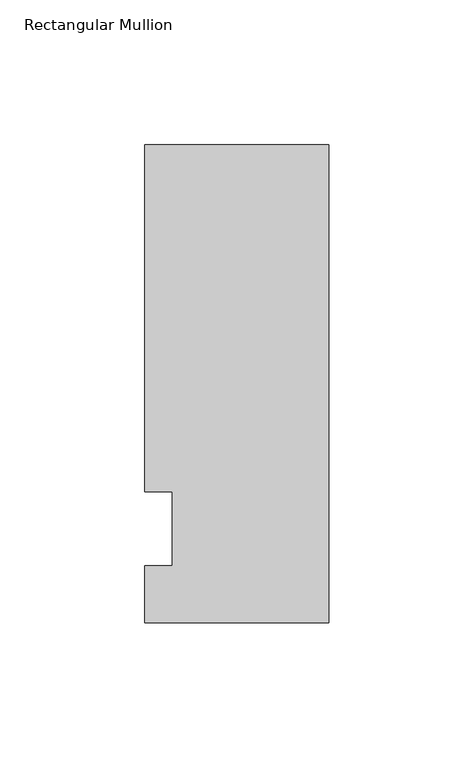
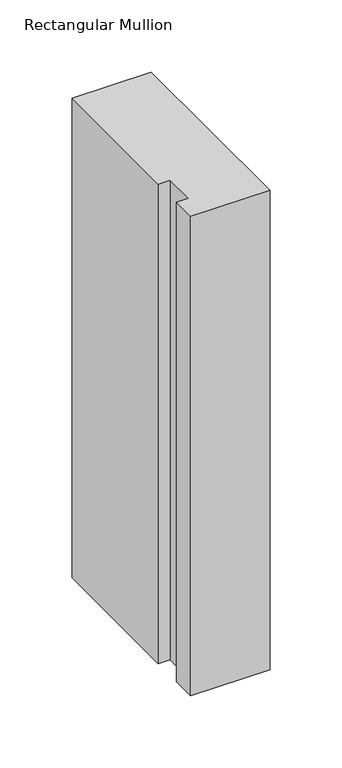
"""IFC4 building model written with IfcOpenShell, lengths in millimetres: member geometry, Rectangular Mullion."""

from ifc_helpers import new_model, si_unit, frame, origin, place, context, project, spatial, polyline, outline, extrude, source, transform, mapped, element, save


def rectangular_mullion_a20bc2a1(model_context):
    return source(origin(), model_context, "Body", "SweptSolid", [
        extrude(outline(polyline([(-63.5, -32.54375), (-63.5, -12.7), (-53.975, -12.7), (-53.975, 12.7), (-63.5, 12.7), (-63.5, 132.55625), (0.0, 132.55625), (0.0, -32.54375), (-63.5, -32.54375)])), frame((0.0, 0.0, -406.4), z_axis=(0.0, 0.0, 1.0), x_axis=(1.0, 0.0, 0.0)), (0.0, 0.0, 1.0), 406.4),
    ])


if __name__ == "__main__":
    model = new_model("IFC4")
    model_context = context("Model", 3, world=origin())
    ifc_project = project(units=[si_unit("LENGTHUNIT", "METRE", prefix="MILLI")], contexts=[model_context])
    site = spatial("IfcSite", under=ifc_project)
    building = spatial("IfcBuilding", under=site)
    placement = place(None, origin())
    rectangular_mullion_shape = rectangular_mullion_a20bc2a1(model_context)
    element("IfcMember", 1, ObjectType="Rectangular Mullion", at=placement, inside=building, context=model_context, shape_type="MappedRepresentation", body=[
        mapped(rectangular_mullion_shape, transform((0.0, 0.0, 0.0), x_axis=(1.0, 0.0, 0.0), y_axis=(0.0, 1.0, 0.0), z_axis=(0.0, 0.0, 1.0))),
    ])
    save(model, "model.ifc")
